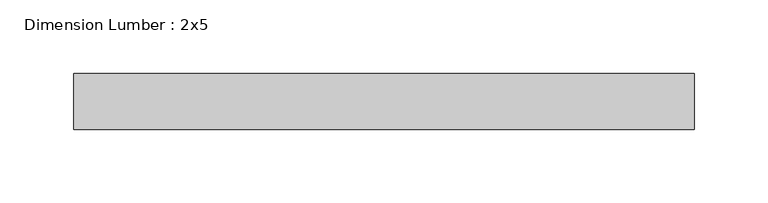
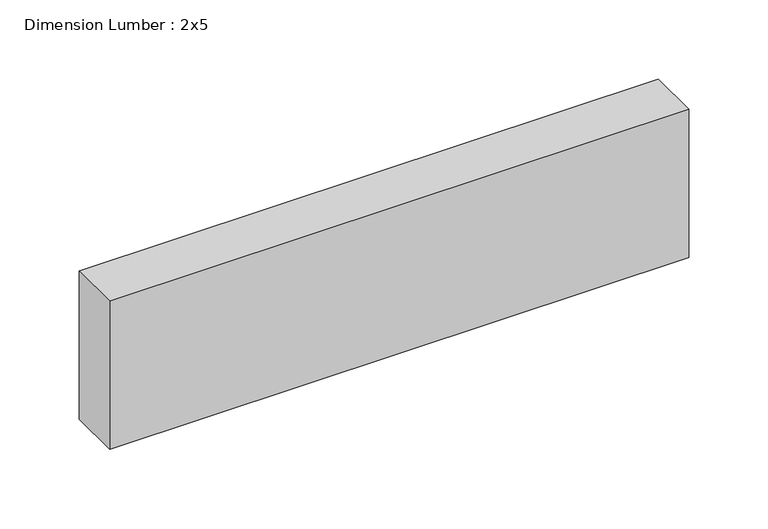
"""IFC4 building model written with IfcOpenShell, lengths in millimetres: beam geometry, Dimension Lumber : 2x5."""

from ifc_helpers import new_model, si_unit, frame, origin, place, context, project, spatial, polyline, outline, extrude, source, transform, mapped, element, save


def dimension_lumber_2x5_0953b5ae(model_context):
    return source(origin(), model_context, "Body", "SweptSolid", [
        extrude(outline(polyline([(212.9561123, 19.05), (212.9561123, -19.05), (-208.4364399, -19.05), (-208.4364399, 19.05), (212.9561123, 19.05)])), frame((0.0, 0.0, -57.15), z_axis=(0.0, 0.0, 1.0), x_axis=(1.0, 0.0, 0.0)), (0.0, 0.0, 1.0), 114.3),
    ])


if __name__ == "__main__":
    model = new_model("IFC4")
    model_context = context("Model", 3, world=origin())
    ifc_project = project(units=[si_unit("LENGTHUNIT", "METRE", prefix="MILLI")], contexts=[model_context])
    site = spatial("IfcSite", under=ifc_project)
    building = spatial("IfcBuilding", under=site)
    placement = place(None, origin())
    dimension_lumber_2x5_shape = dimension_lumber_2x5_0953b5ae(model_context)
    element("IfcBeam", 1, ObjectType="Dimension Lumber : 2x5", at=placement, inside=building, context=model_context, shape_type="MappedRepresentation", body=[
        mapped(dimension_lumber_2x5_shape, transform((0.0, 0.0, 0.0), x_axis=(1.0, 0.0, 0.0), y_axis=(0.0, 1.0, 0.0), z_axis=(0.0, 0.0, 1.0))),
    ])
    save(model, "model.ifc")
